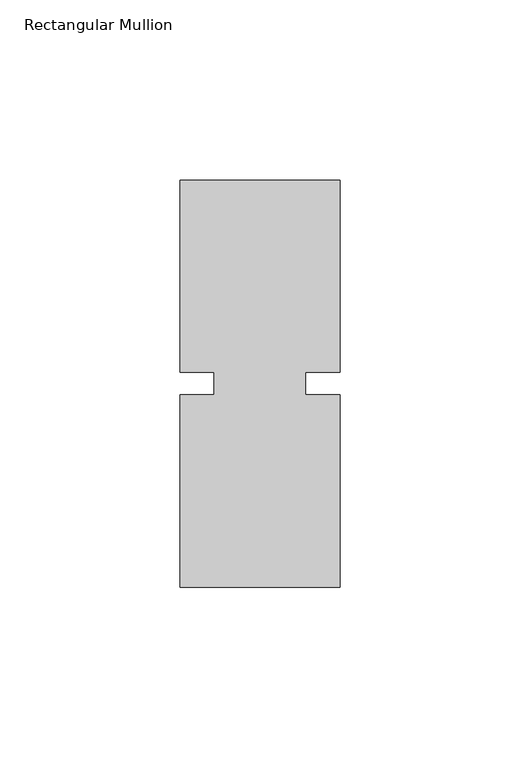
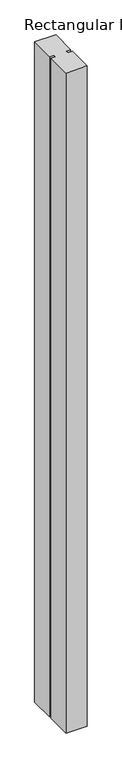
"""IFC4 building model written with IfcOpenShell, lengths in millimetres: member geometry, Rectangular Mullion."""

import ifcopenshell
import ifcopenshell.guid

model = None  # the IFC model being written
_history = None  # IfcOwnerHistory: only IFC2X3 demands one
_inside = {}  # id of a spatial element -> (the spatial element, [elements in it])
_under = {}  # id of a project, library or spatial element -> (it, [spatial elements below it])
_declared = {}  # id of a project -> (the project, [libraries it declares])
_typed = {}  # id of a type object -> (the type object, [elements of that type])
_made_of = {}  # id of a material, layer set ... -> (it, [elements and type objects made of it])


def new_model(schema):
    """Start an empty IFC model of exactly this schema.

    Asked for "IFC4X3", IfcOpenShell would pick the latest addendum, in which some entities
    have other attributes; the version numbers below select the first issue.
    IFC2X3 requires an IfcOwnerHistory on every rooted entity: one is made here for all.
    """
    global model, _history
    if schema == "IFC4X3":
        model = ifcopenshell.file(schema_version=(4, 3, 0, 0))
    else:
        model = ifcopenshell.file(schema=schema)
    _inside.clear()
    _under.clear()
    _declared.clear()
    _typed.clear()
    _made_of.clear()
    _history = None
    if model.schema == "IFC2X3":
        org = make("IfcOrganization", Name="unknown")
        user = make(
            "IfcPersonAndOrganization",
            ThePerson=make("IfcPerson", FamilyName="unknown"),
            TheOrganization=org,
        )
        app = make(
            "IfcApplication",
            ApplicationDeveloper=org,
            Version="unknown",
            ApplicationFullName="unknown",
            ApplicationIdentifier="unknown",
        )
        _history = make(
            "IfcOwnerHistory",
            OwningUser=user,
            OwningApplication=app,
            ChangeAction="ADDED",
            CreationDate=0,
        )
    return model


def make(cls, **values):
    """One entity of the class cls with the attributes given. An attribute that is None is left unset."""
    return model.create_entity(
        cls, **{name: value for name, value in values.items() if value is not None}
    )


def rooted(cls, **values):
    """An entity with a GlobalId (a new one), such as an element, a storey or a relation."""
    return make(cls, GlobalId=ifcopenshell.guid.new(), OwnerHistory=_history, **values)


def si_unit(unit_type, name, prefix=None):
    """IfcSIUnit, for example si_unit("LENGTHUNIT", "METRE", prefix="MILLI")."""
    return make("IfcSIUnit", UnitType=unit_type, Prefix=prefix, Name=name)


def assignment(units):
    """IfcUnitAssignment: the units of a project."""
    return None if units is None else make("IfcUnitAssignment", Units=units)


def point(xyz):
    """IfcCartesianPoint."""
    return None if xyz is None else make("IfcCartesianPoint", Coordinates=xyz)


def direction(xyz):
    """IfcDirection."""
    return None if xyz is None else make("IfcDirection", DirectionRatios=xyz)


def frame(location, z_axis=None, x_axis=None):
    """IfcAxis2Placement3D, a coordinate frame: its origin and axes. An axis left out is left unset."""
    return make(
        "IfcAxis2Placement3D",
        Location=point(location),
        Axis=direction(z_axis),
        RefDirection=direction(x_axis),
    )


def origin():
    """The frame at (0, 0, 0) with its axes left unset."""
    return frame((0.0, 0.0, 0.0))


def place(relative_to, where):
    """IfcLocalPlacement: puts the frame where relative to a parent placement (None: the world)."""
    return make(
        "IfcLocalPlacement", PlacementRelTo=relative_to, RelativePlacement=where
    )


def context(
    kind, dimensions, precision=None, world=None, true_north=None, identifier=None
):
    """IfcGeometricRepresentationContext, for example the 3D "Model" context."""
    return make(
        "IfcGeometricRepresentationContext",
        ContextIdentifier=identifier,
        ContextType=kind,
        CoordinateSpaceDimension=dimensions,
        Precision=precision,
        WorldCoordinateSystem=world,
        TrueNorth=true_north,
    )


def project(units=None, contexts=None):
    """IfcProject with its units and contexts."""
    return rooted(
        "IfcProject",
        Name="project",
        RepresentationContexts=contexts,
        UnitsInContext=assignment(units),
    )


def spatial(cls, under=None, at=None, **own):
    """A site, building, storey or space (cls), placed at a placement, below another one or the project."""
    s = rooted(cls, ObjectPlacement=at, **own)
    if under is not None:
        _under.setdefault(under.id(), (under, []))[1].append(s)
    return s


def polyline(points):
    """IfcPolyline through the points."""
    return make("IfcPolyline", Points=[point(p) for p in points])


def outline(outer, holes=None, kind="AREA"):
    """IfcArbitraryClosedProfileDef: a profile drawn as a closed curve; with holes, ...WithVoids."""
    if holes is None:
        return make("IfcArbitraryClosedProfileDef", ProfileType=kind, OuterCurve=outer)
    return make(
        "IfcArbitraryProfileDefWithVoids",
        ProfileType=kind,
        OuterCurve=outer,
        InnerCurves=holes,
    )


def extrude(swept, where, along, depth):
    """IfcExtrudedAreaSolid: the profile swept, set in the frame where, extruded along a direction by depth."""
    return make(
        "IfcExtrudedAreaSolid",
        SweptArea=swept,
        Position=where,
        ExtrudedDirection=direction(along),
        Depth=depth,
    )


def shape(context_of_items, identifier, shape_type, items):
    """IfcShapeRepresentation: the items that make up one representation, for example the "Body"."""
    return make(
        "IfcShapeRepresentation",
        ContextOfItems=context_of_items,
        RepresentationIdentifier=identifier,
        RepresentationType=shape_type,
        Items=items,
    )


def source(mapping_origin, context_of_items, identifier, shape_type, items):
    """IfcRepresentationMap: a shape defined once, which mapped items show again and again."""
    return make(
        "IfcRepresentationMap",
        MappingOrigin=mapping_origin,
        MappedRepresentation=shape(context_of_items, identifier, shape_type, items),
    )


def transform(
    local_origin,
    x_axis=None,
    y_axis=None,
    z_axis=None,
    scale=None,
    scale2=None,
    scale3=None,
    uniform=True,
):
    """IfcCartesianTransformationOperator3D, or its non-uniform kind. x_axis, y_axis, z_axis: its Axis1, 2, 3."""
    if uniform:
        return make(
            "IfcCartesianTransformationOperator3D",
            Axis1=direction(x_axis),
            Axis2=direction(y_axis),
            LocalOrigin=point(local_origin),
            Scale=scale,
            Axis3=direction(z_axis),
        )
    return make(
        "IfcCartesianTransformationOperator3DnonUniform",
        Axis1=direction(x_axis),
        Axis2=direction(y_axis),
        LocalOrigin=point(local_origin),
        Scale=scale,
        Axis3=direction(z_axis),
        Scale2=scale2,
        Scale3=scale3,
    )


def mapped(mapping_source, mapping_target):
    """IfcMappedItem: shows the shape of a source again, moved by a transform."""
    return make(
        "IfcMappedItem", MappingSource=mapping_source, MappingTarget=mapping_target
    )


def made_of(thing, what):
    """Note that an element or type object is made of a material, layer set ...; save() writes the relation."""
    if what is not None:
        _made_of.setdefault(what.id(), (what, []))[1].append(thing)
    return thing


def element(
    cls,
    number,
    at=None,
    inside=None,
    cuts=None,
    type_object=None,
    material=None,
    context=None,
    identifier="Body",
    shape_type=None,
    held_by="IfcProductDefinitionShape",
    body=None,
    shapes=None,
    **own,
):
    """One element of the class cls, such as IfcWall. Its Tag is "e" and its number.

    at: its placement. inside: the storey or other place that contains it. cuts: it is an
    opening in that element (IfcRelVoidsElement). A single representation is given by context,
    identifier, shape_type and body (its items); several are given by shapes. held_by: the class
    of the entity that holds the representations. save() writes the other relations.
    """
    e = rooted(cls, Tag="e%d" % number, ObjectPlacement=at, **own)
    if body is not None:
        shapes = [shape(context, identifier, shape_type, body)]
    if shapes is not None:
        e.Representation = make(held_by, Representations=shapes)
    if inside is not None:
        _inside.setdefault(inside.id(), (inside, []))[1].append(e)
    if cuts is not None:
        rooted(
            "IfcRelVoidsElement", RelatingBuildingElement=cuts, RelatedOpeningElement=e
        )
    if type_object is not None:
        _typed.setdefault(type_object.id(), (type_object, []))[1].append(e)
    return made_of(e, material)


def aggregate(whole, parts):
    """IfcRelAggregates: a whole, such as a stair, and the parts it consists of."""
    return rooted("IfcRelAggregates", RelatingObject=whole, RelatedObjects=parts)


def save(model, path):
    """Write the relations noted so far, then the file.

    IfcRelAggregates (storeys below a building ...), IfcRelContainedInSpatialStructure (elements
    in a storey), IfcRelDefinesByType, IfcRelAssociatesMaterial and IfcRelDeclares: one each for
    every whole, place, type object, material and project.
    """
    for whole, parts in _under.values():
        aggregate(whole, parts)
    for where, things in _inside.values():
        rooted(
            "IfcRelContainedInSpatialStructure",
            RelatedElements=things,
            RelatingStructure=where,
        )
    for kind, things in _typed.values():
        rooted("IfcRelDefinesByType", RelatedObjects=things, RelatingType=kind)
    for what, things in _made_of.values():
        rooted("IfcRelAssociatesMaterial", RelatedObjects=things, RelatingMaterial=what)
    for by, libraries in _declared.values():
        rooted("IfcRelDeclares", RelatingContext=by, RelatedDefinitions=libraries)
    model.write(path)


def rectangular_mullion_bea041a1(model_context):
    return source(origin(), model_context, "Body", "SweptSolid", [
        extrude(outline(polyline([(26.5594027, -56.5790212), (-17.8905973, -56.5790212), (-17.8905973, -3.2050658), (-8.3655973, -3.2050658), (-8.3655973, 3.1449342), (-17.8905973, 3.1449342), (-17.8905973, 56.4979688), (26.5594027, 56.4979688), (26.5594027, 3.1449342), (17.0344012, 3.1449342), (17.0344012, -3.2050658), (26.5594027, -3.2050658), (26.5594027, -56.5790212)])), frame((0.0, 0.0, -1457.325), z_axis=(0.0, 0.0, 1.0), x_axis=(1.0, 0.0, 0.0)), (0.0, 0.0, 1.0), 1457.325),
    ])


if __name__ == "__main__":
    model = new_model("IFC4")
    model_context = context("Model", 3, world=origin())
    ifc_project = project(units=[si_unit("LENGTHUNIT", "METRE", prefix="MILLI")], contexts=[model_context])
    site = spatial("IfcSite", under=ifc_project)
    building = spatial("IfcBuilding", under=site)
    placement = place(None, origin())
    rectangular_mullion_shape = rectangular_mullion_bea041a1(model_context)
    element("IfcMember", 1, ObjectType="Rectangular Mullion", at=placement, inside=building, context=model_context, shape_type="MappedRepresentation", body=[
        mapped(rectangular_mullion_shape, transform((0.0, 0.0, 0.0), x_axis=(1.0, 0.0, 0.0), y_axis=(0.0, 1.0, 0.0), z_axis=(0.0, 0.0, 1.0))),
    ])
    save(model, "model.ifc")
